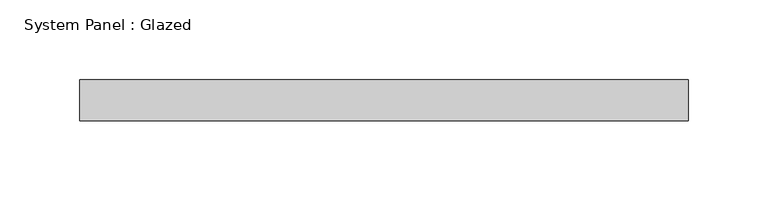
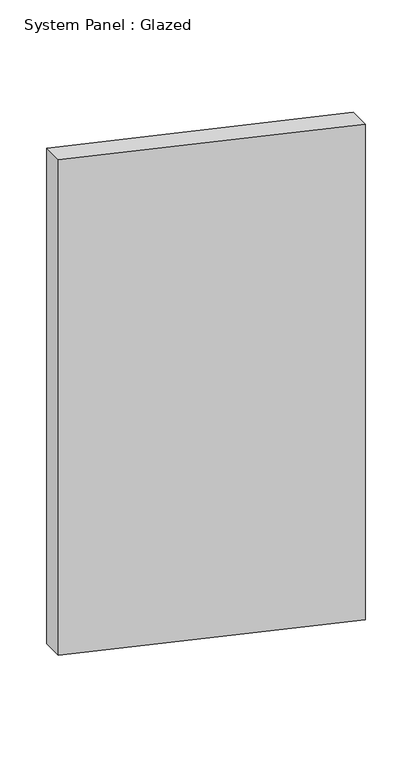
"""IFC4 building model written with IfcOpenShell, lengths in millimetres: plate geometry, System Panel : Glazed."""

from ifc_helpers import new_model, si_unit, frame, origin, place, context, project, spatial, polyline, outline, extrude, source, transform, mapped, element, save


def system_panel_glazed_1c1cc80b(model_context):
    return source(origin(), model_context, "Body", "SweptSolid", [
        extrude(outline(polyline([(86.5380782, -190.2088741), (0.0, 190.2088741), (650.0932418, 190.2088741), (736.2943411, -190.2088741), (86.5380782, -190.2088741)])), frame((0.0, 19.05, 0.0), z_axis=(0.0, 1.0, 0.0), x_axis=(0.0, 0.0, 1.0)), (0.0, 0.0, 1.0), 25.4),
    ])


if __name__ == "__main__":
    model = new_model("IFC4")
    model_context = context("Model", 3, world=origin())
    ifc_project = project(units=[si_unit("LENGTHUNIT", "METRE", prefix="MILLI")], contexts=[model_context])
    site = spatial("IfcSite", under=ifc_project)
    building = spatial("IfcBuilding", under=site)
    placement = place(None, origin())
    system_panel_glazed_shape = system_panel_glazed_1c1cc80b(model_context)
    element("IfcPlate", 1, ObjectType="System Panel : Glazed", at=placement, inside=building, context=model_context, shape_type="MappedRepresentation", body=[
        mapped(system_panel_glazed_shape, transform((0.0, 0.0, 0.0), x_axis=(1.0, 0.0, 0.0), y_axis=(0.0, 1.0, 0.0), z_axis=(0.0, 0.0, 1.0))),
    ])
    save(model, "model.ifc")
